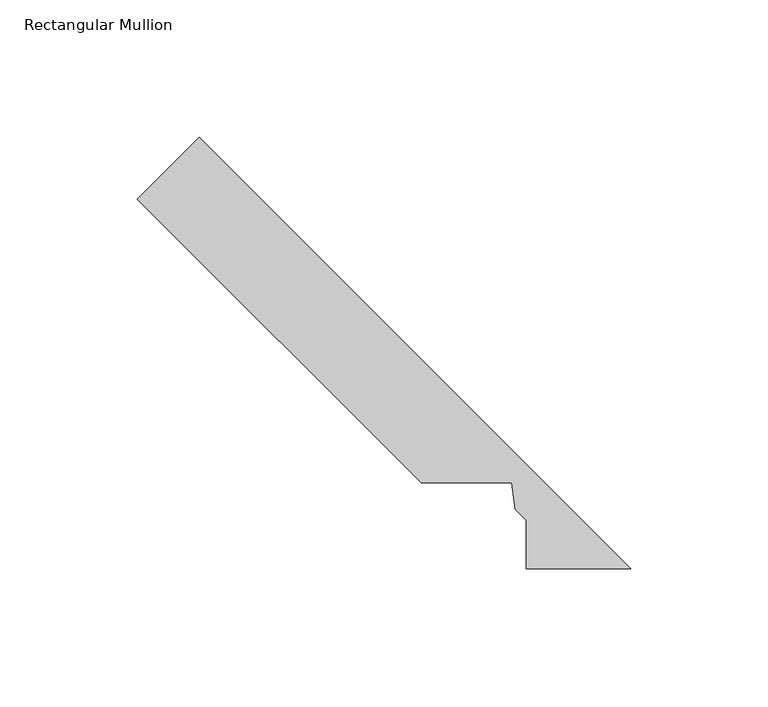
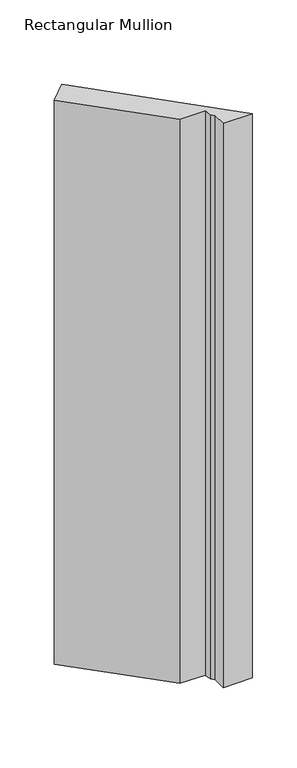
"""IFC4 building model written with IfcOpenShell, lengths in millimetres: member geometry, Rectangular Mullion."""

from ifc_helpers import new_model, si_unit, frame, origin, place, context, project, spatial, polyline, outline, extrude, source, transform, mapped, element, save


def rectangular_mullion_eaa5803d(model_context):
    return source(origin(), model_context, "Body", "SweptSolid", [
        extrude(outline(polyline([(-199.5040807, 154.6028001), (-177.0534404, 177.0534404), (-20.0421875, 20.0421875), (-58.0930196, 20.0421875), (-58.0930196, 37.6714196), (-62.0986242, 41.6770242), (-63.276004, 51.3118941), (-96.2131748, 51.3118941), (-199.5040807, 154.6028001)])), frame((0.0, 0.0, -774.7), z_axis=(0.0, 0.0, 1.0), x_axis=(1.0, 0.0, 0.0)), (0.0, 0.0, 1.0), 774.7),
    ])


if __name__ == "__main__":
    model = new_model("IFC4")
    model_context = context("Model", 3, world=origin())
    ifc_project = project(units=[si_unit("LENGTHUNIT", "METRE", prefix="MILLI")], contexts=[model_context])
    site = spatial("IfcSite", under=ifc_project)
    building = spatial("IfcBuilding", under=site)
    placement = place(None, origin())
    rectangular_mullion_shape = rectangular_mullion_eaa5803d(model_context)
    element("IfcMember", 1, ObjectType="Rectangular Mullion", at=placement, inside=building, context=model_context, shape_type="MappedRepresentation", body=[
        mapped(rectangular_mullion_shape, transform((0.0, 0.0, 0.0), x_axis=(1.0, 0.0, 0.0), y_axis=(0.0, 1.0, 0.0), z_axis=(0.0, 0.0, 1.0))),
    ])
    save(model, "model.ifc")
